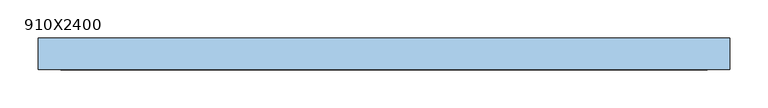
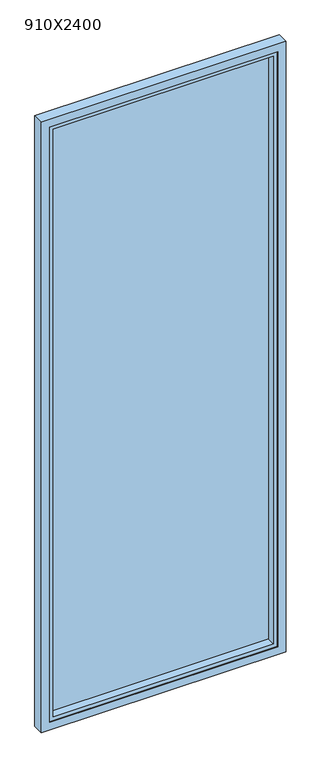
"""IFC4 building model written with IfcOpenShell, lengths in millimetres: window geometry, 910X2400."""

from ifc_helpers import new_model, si_unit, frame, origin, place, context, project, spatial, polyline, outline, extrude, faceted_brep, source, transform, mapped, element, save


def window_910x2400_f252e4db(model_context):
    return source(origin(), model_context, "Body", "SolidModel", [
        extrude(outline(polyline([(410.0, 12.0), (-410.0, 12.0), (-410.0, 18.0), (410.0, 18.0), (410.0, 12.0)])), frame((0.0, 0.0, 45.0), z_axis=(0.0, 0.0, 1.0), x_axis=(1.0, 0.0, 0.0)), (0.0, 0.0, 1.0), 2310.0),
        faceted_brep([(425.0, 21.0, 2370.0), (425.0, -15.0, 2370.0), (425.0, -15.0, 30.0), (425.0, 21.0, 30.0), (440.0, -15.0, 2385.0), (440.0, -15.0, 15.0), (-440.0, -15.0, 15.0), (-440.0, -15.0, 2385.0), (-425.0, -15.0, 2370.0), (-425.0, -15.0, 30.0), (-425.0, 21.0, 30.0), (-425.0, 21.0, 2370.0), (-395.0, 21.0, 2340.0), (-395.0, 21.0, 60.0), (395.0, 21.0, 60.0), (395.0, 21.0, 2340.0), (395.0, 18.0, 2340.0), (395.0, 18.0, 60.0), (-395.0, 18.0, 60.0), (-410.0, 18.0, 2355.0), (-410.0, 18.0, 45.0), (410.0, 18.0, 45.0), (410.0, 18.0, 2355.0), (-395.0, 18.0, 2340.0), (410.0, -18.0, 2355.0), (410.0, -18.0, 45.0), (-410.0, -18.0, 45.0), (-440.0, -18.0, 2385.0), (-440.0, -18.0, 15.0), (440.0, -18.0, 15.0), (440.0, -18.0, 2385.0), (-410.0, -18.0, 2355.0)], [[[0, 1, 2, 3]], [[4, 5, 6, 7], [8, 9, 2, 1]], [[3, 2, 9, 10]], [[0, 3, 10, 11], [12, 13, 14, 15]], [[16, 15, 14, 17]], [[17, 14, 13, 18]], [[19, 20, 21, 22], [16, 17, 18, 23]], [[24, 22, 21, 25]], [[25, 21, 20, 26]], [[27, 28, 29, 30], [24, 25, 26, 31]], [[4, 30, 29, 5]], [[5, 29, 28, 6]], [[10, 9, 8, 11]], [[18, 13, 12, 23]], [[26, 20, 19, 31]], [[6, 28, 27, 7]], [[11, 8, 1, 0]], [[23, 12, 15, 16]], [[31, 19, 22, 24]], [[7, 27, 30, 4]]]),
        faceted_brep([(-425.0, -18.0, 2370.0), (-425.0, -21.0, 2370.0), (-425.0, -21.0, 30.0), (-425.0, -18.0, 30.0), (-455.0, -21.0, 0.0), (455.0, -21.0, 0.0), (455.0, -21.0, 2400.0), (-455.0, -21.0, 2400.0), (425.0, -21.0, 2370.0), (425.0, -21.0, 30.0), (425.0, -18.0, 30.0), (-440.0, -18.0, 2385.0), (440.0, -18.0, 2385.0), (440.0, -18.0, 15.0), (-440.0, -18.0, 15.0), (425.0, -18.0, 2370.0), (-440.0, 21.0, 2385.0), (-440.0, 21.0, 15.0), (440.0, 21.0, 15.0), (-455.0, 21.0, 2400.0), (455.0, 21.0, 2400.0), (455.0, 21.0, 0.0), (-455.0, 21.0, 0.0), (440.0, 21.0, 2385.0)], [[[0, 1, 2, 3]], [[4, 5, 6, 7], [1, 8, 9, 2]], [[3, 2, 9, 10]], [[11, 12, 13, 14], [3, 10, 15, 0]], [[16, 11, 14, 17]], [[17, 14, 13, 18]], [[19, 20, 21, 22], [17, 18, 23, 16]], [[7, 19, 22, 4]], [[4, 22, 21, 5]], [[10, 9, 8, 15]], [[18, 13, 12, 23]], [[5, 21, 20, 6]], [[15, 8, 1, 0]], [[23, 12, 11, 16]], [[6, 20, 19, 7]]]),
    ])


if __name__ == "__main__":
    model = new_model("IFC4")
    model_context = context("Model", 3, world=origin())
    ifc_project = project(units=[si_unit("LENGTHUNIT", "METRE", prefix="MILLI")], contexts=[model_context])
    site = spatial("IfcSite", under=ifc_project)
    building = spatial("IfcBuilding", under=site)
    placement = place(None, origin())
    window_910x2400_shape = window_910x2400_f252e4db(model_context)
    element("IfcWindow", 1, ObjectType="910X2400", at=placement, inside=building, context=model_context, shape_type="MappedRepresentation", body=[
        mapped(window_910x2400_shape, transform((0.0, 0.0, 0.0), x_axis=(1.0, 0.0, 0.0), y_axis=(0.0, 1.0, 0.0), z_axis=(0.0, 0.0, 1.0))),
    ])
    save(model, "model.ifc")
